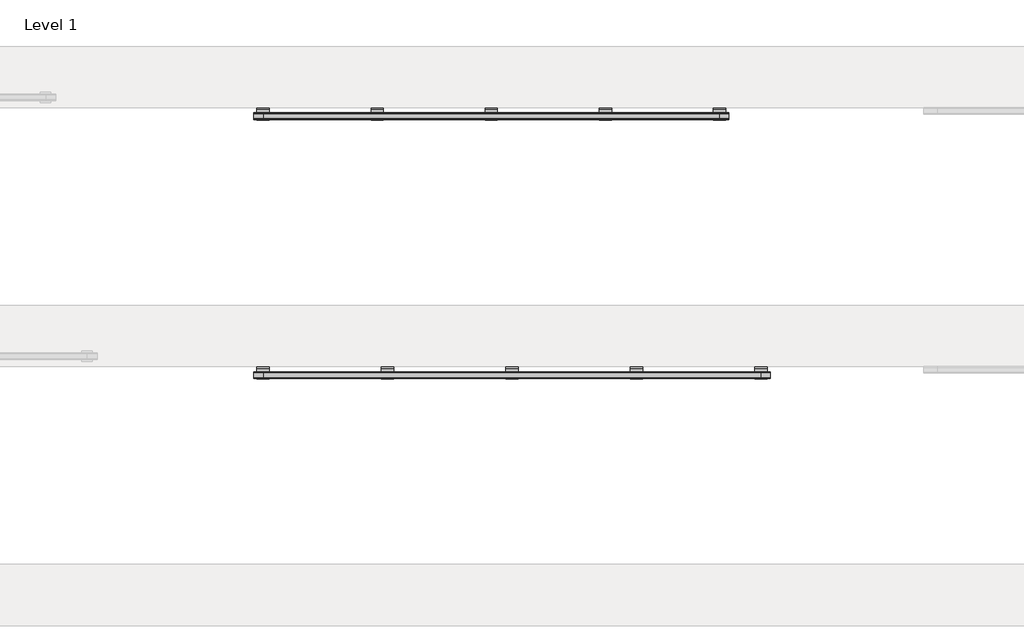
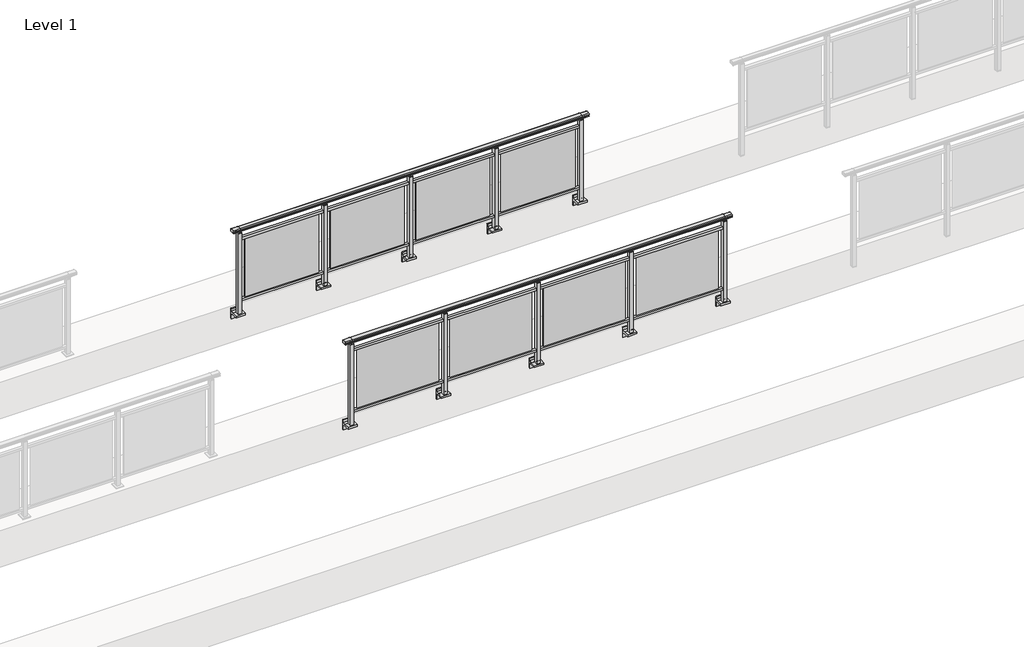
# One storey, part 40 of 64: 2 railings.
"""IFC4 building model written with IfcOpenShell, lengths in millimetres."""

from ifc_helpers import new_model, si_unit, point, frame, frame_2d, origin, place, context, project, spatial, polyline, circle_curve, trimmed, segment, composite_curve, outline, extrude, element, save
from ifc_brep_helpers import plane_surface, cylinder_surface, revolved_surface, advanced_brep

model = new_model("IFC4")

# Units and contexts
model_context = context("Model", 3, world=origin())
ifc_project = project(units=[si_unit("LENGTHUNIT", "METRE", prefix="MILLI")], contexts=[model_context])

# Site, building, storey
site = spatial("IfcSite", under=ifc_project)
building = spatial("IfcBuilding", under=site)
storey = spatial("IfcBuildingStorey", under=building, Name="Level 1", Elevation=0.0)

# Railings
placement = place(None, origin())
element("IfcRailing", 1, at=placement, inside=storey, context=model_context, shape_type="SolidModel", body=[
    advanced_brep(
    [(42910.0, 2342.8633756, 1095.6691182), (42910.0, 2347.6846828, 1081.1334092), (42910.0, 2346.7413744, 1069.2539035), (42910.0, 2348.6364177, 1061.4863007), (42910.0, 2346.9894799, 1060.384124), (42910.0, 2346.9894799, 1062.0), (42910.0, 2288.3798858, 1062.0), (42910.0, 2288.3798858, 1060.384124), (42910.0, 2286.732948, 1061.4863007), (42910.0, 2288.6279912, 1069.2539035), (42910.0, 2287.6846828, 1081.1334092), (42910.0, 2292.50599, 1095.6691182), (47890.0, 2342.8633756, 1095.6691182), (47890.0, 2292.50599, 1095.6691182), (47890.0, 2287.6846828, 1081.1334092), (47890.0, 2288.6279912, 1069.2539035), (47890.0, 2286.732948, 1061.4863007), (47890.0, 2288.3798858, 1060.384124), (47890.0, 2288.3798858, 1062.0), (47890.0, 2346.9894799, 1062.0), (47890.0, 2346.9894799, 1060.384124), (47890.0, 2348.6364177, 1061.4863007), (47890.0, 2346.7413744, 1069.2539035), (47890.0, 2347.6846828, 1081.1334092), (43000.0, 2342.8633756, 1095.6691182), (43000.0, 2347.6846828, 1081.1334092), (43000.0, 2346.7413744, 1069.2539035), (43000.0, 2348.6364177, 1061.4863007), (43000.0, 2346.9894799, 1060.384124), (43000.0, 2346.9894799, 1062.0), (43000.0, 2288.3798858, 1062.0), (43000.0, 2288.3798858, 1060.384124), (43000.0, 2286.732948, 1061.4863007), (43000.0, 2288.6279912, 1069.2539035), (43000.0, 2287.6846828, 1081.1334092), (43000.0, 2292.50599, 1095.6691182), (47800.0, 2342.8633756, 1095.6691182), (47800.0, 2347.6846828, 1081.1334092), (47800.0, 2346.7413744, 1069.2539035), (47800.0, 2348.6364177, 1061.4863007), (47800.0, 2346.9894799, 1060.384124), (47800.0, 2346.9894799, 1062.0), (47800.0, 2288.3798858, 1062.0), (47800.0, 2288.3798858, 1060.384124), (47800.0, 2286.732948, 1061.4863007), (47800.0, 2288.6279912, 1069.2539035), (47800.0, 2287.6846828, 1081.1334092), (47800.0, 2292.50599, 1095.6691182)],
    [
        (0, 1, circle_curve(frame((42910.0, 2339.6223845, 1086.526686), z_axis=(-1.0, 0.0, 0.0), x_axis=(0.0, -1.0, 0.0)), 9.6999015)),
        (1, 2, circle_curve(frame((42910.0, 2365.2252545, 1073.7633709), z_axis=(1.0, 0.0, 0.0), x_axis=(0.0, -1.0, 0.0)), 19.0260117)),
        (2, 3),
        (3, 4, circle_curve(frame((42910.0, 2347.7772073, 1060.9886194), z_axis=(-1.0, 0.0, 0.0), x_axis=(0.0, -1.0, 0.0)), 0.9929396)),
        (4, 5),
        (5, 6),
        (6, 7),
        (7, 8, circle_curve(frame((42910.0, 2287.5921584, 1060.9886194), z_axis=(-1.0, 0.0, 0.0), x_axis=(0.0, 1.0, 0.0)), 0.9929396)),
        (8, 9),
        (9, 10, circle_curve(frame((42910.0, 2270.1441111, 1073.7633709), z_axis=(1.0, 0.0, 0.0), x_axis=(0.0, 1.0, 0.0)), 19.0260117)),
        (10, 11, circle_curve(frame((42910.0, 2295.7469812, 1086.526686), z_axis=(-1.0, 0.0, 0.0), x_axis=(0.0, 1.0, 0.0)), 9.6999015)),
        (11, 0, circle_curve(frame((42910.0, 2317.6846828, 1024.6431628), z_axis=(-1.0, 0.0, 0.0), x_axis=(0.0, 1.0, 0.0)), 75.3568372)),
        (12, 13, circle_curve(frame((47890.0, 2317.6846828, 1024.6431628), z_axis=(1.0, 0.0, 0.0), x_axis=(0.0, 1.0, 0.0)), 75.3568372)),
        (13, 14, circle_curve(frame((47890.0, 2295.7469812, 1086.526686), z_axis=(1.0, 0.0, 0.0), x_axis=(0.0, 1.0, 0.0)), 9.6999015)),
        (14, 15, circle_curve(frame((47890.0, 2270.1441111, 1073.7633709), z_axis=(-1.0, 0.0, 0.0), x_axis=(0.0, 1.0, 0.0)), 19.0260117)),
        (15, 16),
        (16, 17, circle_curve(frame((47890.0, 2287.5921584, 1060.9886194), z_axis=(1.0, 0.0, 0.0), x_axis=(0.0, 1.0, 0.0)), 0.9929396)),
        (17, 18),
        (18, 19),
        (19, 20),
        (20, 21, circle_curve(frame((47890.0, 2347.7772073, 1060.9886194), z_axis=(1.0, 0.0, 0.0), x_axis=(0.0, -1.0, 0.0)), 0.9929396)),
        (21, 22),
        (22, 23, circle_curve(frame((47890.0, 2365.2252545, 1073.7633709), z_axis=(-1.0, 0.0, 0.0), x_axis=(0.0, -1.0, 0.0)), 19.0260117)),
        (23, 12, circle_curve(frame((47890.0, 2339.6223845, 1086.526686), z_axis=(1.0, 0.0, 0.0), x_axis=(0.0, -1.0, 0.0)), 9.6999015)),
        (0, 24),
        (24, 25, circle_curve(frame((43000.0, 2339.6223845, 1086.526686), z_axis=(-1.0, 0.0, 0.0), x_axis=(0.0, -1.0, 0.0)), 9.6999015)),
        (25, 1),
        (25, 26, circle_curve(frame((43000.0, 2365.2252545, 1073.7633709), z_axis=(1.0, 0.0, 0.0), x_axis=(0.0, -1.0, 0.0)), 19.0260117)),
        (26, 2),
        (26, 27),
        (27, 3),
        (27, 28, circle_curve(frame((43000.0, 2347.7772073, 1060.9886194), z_axis=(-1.0, 0.0, 0.0), x_axis=(0.0, -1.0, 0.0)), 0.9929396)),
        (28, 4),
        (28, 29),
        (29, 5),
        (29, 30),
        (30, 6),
        (30, 31),
        (31, 7),
        (31, 32, circle_curve(frame((43000.0, 2287.5921584, 1060.9886194), z_axis=(-1.0, 0.0, 0.0), x_axis=(0.0, 1.0, 0.0)), 0.9929396)),
        (32, 8),
        (32, 33),
        (33, 9),
        (33, 34, circle_curve(frame((43000.0, 2270.1441111, 1073.7633709), z_axis=(1.0, 0.0, 0.0), x_axis=(0.0, 1.0, 0.0)), 19.0260117)),
        (34, 10),
        (34, 35, circle_curve(frame((43000.0, 2295.7469812, 1086.526686), z_axis=(-1.0, 0.0, 0.0), x_axis=(0.0, 1.0, 0.0)), 9.6999015)),
        (35, 11),
        (35, 24, circle_curve(frame((43000.0, 2317.6846828, 1024.6431628), z_axis=(-1.0, 0.0, 0.0), x_axis=(0.0, 1.0, 0.0)), 75.3568372)),
        (24, 36),
        (36, 37, circle_curve(frame((47800.0, 2339.6223845, 1086.526686), z_axis=(-1.0, 0.0, 0.0), x_axis=(0.0, -1.0, 0.0)), 9.6999015)),
        (37, 25),
        (37, 38, circle_curve(frame((47800.0, 2365.2252545, 1073.7633709), z_axis=(1.0, 0.0, 0.0), x_axis=(0.0, -1.0, 0.0)), 19.0260117)),
        (38, 26),
        (38, 39),
        (39, 27),
        (39, 40, circle_curve(frame((47800.0, 2347.7772073, 1060.9886194), z_axis=(-1.0, 0.0, 0.0), x_axis=(0.0, -1.0, 0.0)), 0.9929396)),
        (40, 28),
        (40, 41),
        (41, 29),
        (41, 42),
        (42, 30),
        (42, 43),
        (43, 31),
        (43, 44, circle_curve(frame((47800.0, 2287.5921584, 1060.9886194), z_axis=(-1.0, 0.0, 0.0), x_axis=(0.0, 1.0, 0.0)), 0.9929396)),
        (44, 32),
        (44, 45),
        (45, 33),
        (45, 46, circle_curve(frame((47800.0, 2270.1441111, 1073.7633709), z_axis=(1.0, 0.0, 0.0), x_axis=(0.0, 1.0, 0.0)), 19.0260117)),
        (46, 34),
        (46, 47, circle_curve(frame((47800.0, 2295.7469812, 1086.526686), z_axis=(-1.0, 0.0, 0.0), x_axis=(0.0, 1.0, 0.0)), 9.6999015)),
        (47, 35),
        (47, 36, circle_curve(frame((47800.0, 2317.6846828, 1024.6431628), z_axis=(-1.0, 0.0, 0.0), x_axis=(0.0, 1.0, 0.0)), 75.3568372)),
        (36, 12),
        (23, 37),
        (22, 38),
        (21, 39),
        (20, 40),
        (19, 41),
        (18, 42),
        (17, 43),
        (16, 44),
        (15, 45),
        (14, 46),
        (13, 47),
    ],
    [
        plane_surface(frame((42910.0, 2317.6846828, 1100.0), z_axis=(-1.0, 0.0, 0.0), x_axis=(0.0, 1.0, 0.0))),
        plane_surface(frame((47890.0, 2317.6846828, 1100.0), z_axis=(1.0, 0.0, 0.0), x_axis=(0.0, 1.0, 0.0))),
        cylinder_surface(frame((42910.0, 2339.6223845, 1086.526686), z_axis=(-1.0, 0.0, 0.0), x_axis=(0.0, -1.0, 0.0)), 9.6999015),
        revolved_surface(polyline([(43000.0, 2346.1992428000003, 1073.7633709), (42910.0, 2346.1992428000003, 1073.7633709)]), (42910.0, 2365.2252545, 1073.7633709), (1.0, 0.0, 0.0)),
        plane_surface(frame((42910.0, 2346.7413744, 1069.2539035), z_axis=(0.0, 0.9715057689301543, 0.2370159086125439), x_axis=(1.0, 0.0, 0.0))),
        cylinder_surface(frame((42910.0, 2347.7772073, 1060.9886194), z_axis=(-1.0, 0.0, 0.0), x_axis=(0.0, -1.0, 0.0)), 0.9929396),
        plane_surface(frame((42910.0, 2346.9894799, 1060.384124), z_axis=(0.0, -1.0, 0.0), x_axis=(1.0, 0.0, 0.0))),
        plane_surface(frame((42910.0, 2346.9894799, 1062.0), z_axis=(0.0, 0.0, -1.0), x_axis=(1.0, 0.0, 0.0))),
        plane_surface(frame((42910.0, 2288.3798858, 1062.0), z_axis=(0.0, 1.0, 0.0), x_axis=(1.0, 0.0, 0.0))),
        cylinder_surface(frame((42910.0, 2287.5921584, 1060.9886194), z_axis=(-1.0, 0.0, 0.0), x_axis=(0.0, 1.0, 0.0)), 0.9929396),
        plane_surface(frame((42910.0, 2286.732948, 1061.4863007), z_axis=(0.0, -0.9715057689301543, 0.2370159086125439), x_axis=(1.0, 0.0, 0.0))),
        revolved_surface(polyline([(43000.0, 2289.1701227999997, 1073.7633709), (42910.0, 2289.1701227999997, 1073.7633709)]), (42910.0, 2270.1441111, 1073.7633709), (1.0, 0.0, 0.0)),
        cylinder_surface(frame((42910.0, 2295.7469812, 1086.526686), z_axis=(-1.0, 0.0, 0.0), x_axis=(0.0, 1.0, 0.0)), 9.6999015),
        cylinder_surface(frame((42910.0, 2317.6846828, 1024.6431628), z_axis=(-1.0, 0.0, 0.0), x_axis=(0.0, 1.0, 0.0)), 75.3568372),
        cylinder_surface(frame((43000.0, 2339.6223845, 1086.526686), z_axis=(-1.0, 0.0, 0.0), x_axis=(0.0, -1.0, 0.0)), 9.6999015),
        revolved_surface(polyline([(47800.0, 2346.1992428000003, 1073.7633709), (43000.0, 2346.1992428000003, 1073.7633709)]), (43000.0, 2365.2252545, 1073.7633709), (1.0, 0.0, 0.0)),
        plane_surface(frame((43000.0, 2346.7413744, 1069.2539035), z_axis=(0.0, 0.9715057689301543, 0.2370159086125439), x_axis=(1.0, 0.0, 0.0))),
        cylinder_surface(frame((43000.0, 2347.7772073, 1060.9886194), z_axis=(-1.0, 0.0, 0.0), x_axis=(0.0, -1.0, 0.0)), 0.9929396),
        plane_surface(frame((43000.0, 2346.9894799, 1060.384124), z_axis=(0.0, -1.0, 0.0), x_axis=(1.0, 0.0, 0.0))),
        plane_surface(frame((43000.0, 2346.9894799, 1062.0), z_axis=(0.0, 0.0, -1.0), x_axis=(1.0, 0.0, 0.0))),
        plane_surface(frame((43000.0, 2288.3798858, 1062.0), z_axis=(0.0, 1.0, 0.0), x_axis=(1.0, 0.0, 0.0))),
        cylinder_surface(frame((43000.0, 2287.5921584, 1060.9886194), z_axis=(-1.0, 0.0, 0.0), x_axis=(0.0, 1.0, 0.0)), 0.9929396),
        plane_surface(frame((43000.0, 2286.732948, 1061.4863007), z_axis=(0.0, -0.9715057689301543, 0.2370159086125439), x_axis=(1.0, 0.0, 0.0))),
        revolved_surface(polyline([(47800.0, 2289.1701227999997, 1073.7633709), (43000.0, 2289.1701227999997, 1073.7633709)]), (43000.0, 2270.1441111, 1073.7633709), (1.0, 0.0, 0.0)),
        cylinder_surface(frame((43000.0, 2295.7469812, 1086.526686), z_axis=(-1.0, 0.0, 0.0), x_axis=(0.0, 1.0, 0.0)), 9.6999015),
        cylinder_surface(frame((43000.0, 2317.6846828, 1024.6431628), z_axis=(-1.0, 0.0, 0.0), x_axis=(0.0, 1.0, 0.0)), 75.3568372),
        cylinder_surface(frame((47800.0, 2339.6223845, 1086.526686), z_axis=(-1.0, 0.0, 0.0), x_axis=(0.0, -1.0, 0.0)), 9.6999015),
        revolved_surface(polyline([(47890.0, 2346.1992428000003, 1073.7633709), (47800.0, 2346.1992428000003, 1073.7633709)]), (47800.0, 2365.2252545, 1073.7633709), (1.0, 0.0, 0.0)),
        plane_surface(frame((47800.0, 2346.7413744, 1069.2539035), z_axis=(0.0, 0.9715057689301543, 0.2370159086125439), x_axis=(1.0, 0.0, 0.0))),
        cylinder_surface(frame((47800.0, 2347.7772073, 1060.9886194), z_axis=(-1.0, 0.0, 0.0), x_axis=(0.0, -1.0, 0.0)), 0.9929396),
        plane_surface(frame((47800.0, 2346.9894799, 1060.384124), z_axis=(0.0, -1.0, 0.0), x_axis=(1.0, 0.0, 0.0))),
        plane_surface(frame((47800.0, 2346.9894799, 1062.0), z_axis=(0.0, 0.0, -1.0), x_axis=(1.0, 0.0, 0.0))),
        plane_surface(frame((47800.0, 2288.3798858, 1062.0), z_axis=(0.0, 1.0, 0.0), x_axis=(1.0, 0.0, 0.0))),
        cylinder_surface(frame((47800.0, 2287.5921584, 1060.9886194), z_axis=(-1.0, 0.0, 0.0), x_axis=(0.0, 1.0, 0.0)), 0.9929396),
        plane_surface(frame((47800.0, 2286.732948, 1061.4863007), z_axis=(0.0, -0.9715057689301543, 0.2370159086125439), x_axis=(1.0, 0.0, 0.0))),
        revolved_surface(polyline([(47890.0, 2289.1701227999997, 1073.7633709), (47800.0, 2289.1701227999997, 1073.7633709)]), (47800.0, 2270.1441111, 1073.7633709), (1.0, 0.0, 0.0)),
        cylinder_surface(frame((47800.0, 2295.7469812, 1086.526686), z_axis=(-1.0, 0.0, 0.0), x_axis=(0.0, 1.0, 0.0)), 9.6999015),
        cylinder_surface(frame((47800.0, 2317.6846828, 1024.6431628), z_axis=(-1.0, 0.0, 0.0), x_axis=(0.0, 1.0, 0.0)), 75.3568372),
    ],
    [
        (0, [[1, 2, 3, 4, 5, 6, 7, 8, 9, 10, 11, 12]]),
        (1, [[13, 14, 15, 16, 17, 18, 19, 20, 21, 22, 23, 24]]),
        (2, [[-1, 25, 26, 27]]),
        (3, [[-2, -27, 28, 29]]),
        (4, [[-3, -29, 30, 31]]),
        (5, [[-4, -31, 32, 33]]),
        (6, [[-5, -33, 34, 35]]),
        (7, [[-6, -35, 36, 37]]),
        (8, [[-7, -37, 38, 39]]),
        (9, [[-8, -39, 40, 41]]),
        (10, [[-9, -41, 42, 43]]),
        (11, [[-10, -43, 44, 45]]),
        (12, [[-11, -45, 46, 47]]),
        (13, [[-12, -47, 48, -25]]),
        (14, [[-26, 49, 50, 51]]),
        (15, [[-28, -51, 52, 53]]),
        (16, [[-30, -53, 54, 55]]),
        (17, [[-32, -55, 56, 57]]),
        (18, [[-34, -57, 58, 59]]),
        (19, [[-36, -59, 60, 61]]),
        (20, [[-38, -61, 62, 63]]),
        (21, [[-40, -63, 64, 65]]),
        (22, [[-42, -65, 66, 67]]),
        (23, [[-44, -67, 68, 69]]),
        (24, [[-46, -69, 70, 71]]),
        (25, [[-48, -71, 72, -49]]),
        (26, [[-50, 73, -24, 74]]),
        (27, [[-52, -74, -23, 75]]),
        (28, [[-54, -75, -22, 76]]),
        (29, [[-56, -76, -21, 77]]),
        (30, [[-58, -77, -20, 78]]),
        (31, [[-60, -78, -19, 79]]),
        (32, [[-62, -79, -18, 80]]),
        (33, [[-64, -80, -17, 81]]),
        (34, [[-66, -81, -16, 82]]),
        (35, [[-68, -82, -15, 83]]),
        (36, [[-70, -83, -14, 84]]),
        (37, [[-72, -84, -13, -73]]),
    ],
),
    extrude(outline(polyline([(43000.0, 2300.1846828), (43000.0, 2335.1846828), (47800.0, 2335.1846828), (47800.0, 2300.1846828), (43000.0, 2300.1846828)])), frame((0.0, 0.0, 930.0), z_axis=(0.0, 0.0, 1.0), x_axis=(1.0, 0.0, 0.0)), (0.0, 0.0, 1.0), 30.0),
    extrude(outline(polyline([(43000.0, 2300.1846828), (43000.0, 2335.1846828), (47800.0, 2335.1846828), (47800.0, 2300.1846828), (43000.0, 2300.1846828)])), frame((0.0, 0.0, 95.0), z_axis=(0.0, 0.0, 1.0), x_axis=(1.0, 0.0, 0.0)), (0.0, 0.0, 1.0), 30.0),
    extrude(outline(polyline([(46672.5, 2315.9094929), (46672.5, 2321.9094929), (47727.5, 2321.9094929), (47727.5, 2315.9094929), (46672.5, 2315.9094929)])), frame((0.0, 0.0, 125.0), z_axis=(0.0, 0.0, 1.0), x_axis=(1.0, 0.0, 0.0)), (0.0, 0.0, 1.0), 805.0),
    extrude(outline(composite_curve([segment(polyline([(2350.1846828, -70.0), (2384.1846828, -63.0), (2384.1846828, -32.5), (2400.1846828, -32.5), (2400.1846828, -167.5), (2384.1846828, -167.5), (2384.1846828, -113.5)]), True, "CONTINUOUS"), segment(trimmed(circle_curve(frame_2d((2364.1846828, -113.5)), 20.0), [point((2384.1846828, -113.5))], [point((2364.1846828, -93.5))], True, "CARTESIAN"), True, "CONTINUOUS"), segment(polyline([(2364.1846828, -93.5), (2280.1846828, -93.5), (2280.1846828, -70.0), (2350.1846828, -70.0)]), True, "CONTINUOUS")], self_intersect=False)), frame((46540.0, 0.0, 0.0), z_axis=(1.0, 0.0, 0.0), x_axis=(0.0, 1.0, 0.0)), (0.0, 0.0, 1.0), 120.0),
    extrude(outline(polyline([(46622.5, 2340.1846828), (46622.5, 2295.1846828), (46577.5, 2295.1846828), (46577.5, 2340.1846828), (46622.5, 2340.1846828)])), frame((0.0, 0.0, -70.0), z_axis=(0.0, 0.0, 1.0), x_axis=(1.0, 0.0, 0.0)), (0.0, 0.0, 1.0), 1097.0),
    extrude(outline(polyline([(46610.0, 2327.6846828), (46610.0, 2307.6846828), (46590.0, 2307.6846828), (46590.0, 2327.6846828), (46610.0, 2327.6846828)])), frame((0.0, 0.0, 1035.0), z_axis=(0.0, 0.0, 1.0), x_axis=(1.0, 0.0, 0.0)), (0.0, 0.0, 1.0), 20.0),
    extrude(outline(polyline([(46622.5, 2340.1846828), (46622.5, 2295.1846828), (46577.5, 2295.1846828), (46577.5, 2340.1846828), (46622.5, 2340.1846828)])), frame((0.0, 0.0, 1027.0), z_axis=(0.0, 0.0, 1.0), x_axis=(1.0, 0.0, 0.0)), (0.0, 0.0, 1.0), 8.0),
    extrude(outline(polyline([(45472.5, 2315.9094929), (45472.5, 2321.9094929), (46527.5, 2321.9094929), (46527.5, 2315.9094929), (45472.5, 2315.9094929)])), frame((0.0, 0.0, 125.0), z_axis=(0.0, 0.0, 1.0), x_axis=(1.0, 0.0, 0.0)), (0.0, 0.0, 1.0), 805.0),
    extrude(outline(composite_curve([segment(polyline([(2350.1846828, -70.0), (2384.1846828, -63.0), (2384.1846828, -32.5), (2400.1846828, -32.5), (2400.1846828, -167.5), (2384.1846828, -167.5), (2384.1846828, -113.5)]), True, "CONTINUOUS"), segment(trimmed(circle_curve(frame_2d((2364.1846828, -113.5)), 20.0), [point((2384.1846828, -113.5))], [point((2364.1846828, -93.5))], True, "CARTESIAN"), True, "CONTINUOUS"), segment(polyline([(2364.1846828, -93.5), (2280.1846828, -93.5), (2280.1846828, -70.0), (2350.1846828, -70.0)]), True, "CONTINUOUS")], self_intersect=False)), frame((45340.0, 0.0, 0.0), z_axis=(1.0, 0.0, 0.0), x_axis=(0.0, 1.0, 0.0)), (0.0, 0.0, 1.0), 120.0),
    extrude(outline(polyline([(45422.5, 2340.1846828), (45422.5, 2295.1846828), (45377.5, 2295.1846828), (45377.5, 2340.1846828), (45422.5, 2340.1846828)])), frame((0.0, 0.0, -70.0), z_axis=(0.0, 0.0, 1.0), x_axis=(1.0, 0.0, 0.0)), (0.0, 0.0, 1.0), 1097.0),
    extrude(outline(polyline([(45410.0, 2327.6846828), (45410.0, 2307.6846828), (45390.0, 2307.6846828), (45390.0, 2327.6846828), (45410.0, 2327.6846828)])), frame((0.0, 0.0, 1035.0), z_axis=(0.0, 0.0, 1.0), x_axis=(1.0, 0.0, 0.0)), (0.0, 0.0, 1.0), 20.0),
    extrude(outline(polyline([(45422.5, 2340.1846828), (45422.5, 2295.1846828), (45377.5, 2295.1846828), (45377.5, 2340.1846828), (45422.5, 2340.1846828)])), frame((0.0, 0.0, 1027.0), z_axis=(0.0, 0.0, 1.0), x_axis=(1.0, 0.0, 0.0)), (0.0, 0.0, 1.0), 8.0),
    extrude(outline(polyline([(44272.5, 2315.9094929), (44272.5, 2321.9094929), (45327.5, 2321.9094929), (45327.5, 2315.9094929), (44272.5, 2315.9094929)])), frame((0.0, 0.0, 125.0), z_axis=(0.0, 0.0, 1.0), x_axis=(1.0, 0.0, 0.0)), (0.0, 0.0, 1.0), 805.0),
    extrude(outline(composite_curve([segment(polyline([(2350.1846828, -70.0), (2384.1846828, -63.0), (2384.1846828, -32.5), (2400.1846828, -32.5), (2400.1846828, -167.5), (2384.1846828, -167.5), (2384.1846828, -113.5)]), True, "CONTINUOUS"), segment(trimmed(circle_curve(frame_2d((2364.1846828, -113.5)), 20.0), [point((2384.1846828, -113.5))], [point((2364.1846828, -93.5))], True, "CARTESIAN"), True, "CONTINUOUS"), segment(polyline([(2364.1846828, -93.5), (2280.1846828, -93.5), (2280.1846828, -70.0), (2350.1846828, -70.0)]), True, "CONTINUOUS")], self_intersect=False)), frame((44140.0, 0.0, 0.0), z_axis=(1.0, 0.0, 0.0), x_axis=(0.0, 1.0, 0.0)), (0.0, 0.0, 1.0), 120.0),
    extrude(outline(polyline([(44222.5, 2340.1846828), (44222.5, 2295.1846828), (44177.5, 2295.1846828), (44177.5, 2340.1846828), (44222.5, 2340.1846828)])), frame((0.0, 0.0, -70.0), z_axis=(0.0, 0.0, 1.0), x_axis=(1.0, 0.0, 0.0)), (0.0, 0.0, 1.0), 1097.0),
    extrude(outline(polyline([(44210.0, 2327.6846828), (44210.0, 2307.6846828), (44190.0, 2307.6846828), (44190.0, 2327.6846828), (44210.0, 2327.6846828)])), frame((0.0, 0.0, 1035.0), z_axis=(0.0, 0.0, 1.0), x_axis=(1.0, 0.0, 0.0)), (0.0, 0.0, 1.0), 20.0),
    extrude(outline(polyline([(44222.5, 2340.1846828), (44222.5, 2295.1846828), (44177.5, 2295.1846828), (44177.5, 2340.1846828), (44222.5, 2340.1846828)])), frame((0.0, 0.0, 1027.0), z_axis=(0.0, 0.0, 1.0), x_axis=(1.0, 0.0, 0.0)), (0.0, 0.0, 1.0), 8.0),
    extrude(outline(polyline([(43072.5, 2315.9094929), (43072.5, 2321.9094929), (44127.5, 2321.9094929), (44127.5, 2315.9094929), (43072.5, 2315.9094929)])), frame((0.0, 0.0, 125.0), z_axis=(0.0, 0.0, 1.0), x_axis=(1.0, 0.0, 0.0)), (0.0, 0.0, 1.0), 805.0),
    extrude(outline(composite_curve([segment(polyline([(2350.1846828, -70.0), (2384.1846828, -63.0), (2384.1846828, -32.5), (2400.1846828, -32.5), (2400.1846828, -167.5), (2384.1846828, -167.5), (2384.1846828, -113.5)]), True, "CONTINUOUS"), segment(trimmed(circle_curve(frame_2d((2364.1846828, -113.5)), 20.0), [point((2384.1846828, -113.5))], [point((2364.1846828, -93.5))], True, "CARTESIAN"), True, "CONTINUOUS"), segment(polyline([(2364.1846828, -93.5), (2280.1846828, -93.5), (2280.1846828, -70.0), (2350.1846828, -70.0)]), True, "CONTINUOUS")], self_intersect=False)), frame((47740.0, 0.0, 0.0), z_axis=(1.0, 0.0, 0.0), x_axis=(0.0, 1.0, 0.0)), (0.0, 0.0, 1.0), 120.0),
    extrude(outline(polyline([(47822.5, 2340.1846828), (47822.5, 2295.1846828), (47777.5, 2295.1846828), (47777.5, 2340.1846828), (47822.5, 2340.1846828)])), frame((0.0, 0.0, -70.0), z_axis=(0.0, 0.0, 1.0), x_axis=(1.0, 0.0, 0.0)), (0.0, 0.0, 1.0), 1097.0),
    extrude(outline(polyline([(47810.0, 2327.6846828), (47810.0, 2307.6846828), (47790.0, 2307.6846828), (47790.0, 2327.6846828), (47810.0, 2327.6846828)])), frame((0.0, 0.0, 1035.0), z_axis=(0.0, 0.0, 1.0), x_axis=(1.0, 0.0, 0.0)), (0.0, 0.0, 1.0), 20.0),
    extrude(outline(polyline([(47822.5, 2340.1846828), (47822.5, 2295.1846828), (47777.5, 2295.1846828), (47777.5, 2340.1846828), (47822.5, 2340.1846828)])), frame((0.0, 0.0, 1027.0), z_axis=(0.0, 0.0, 1.0), x_axis=(1.0, 0.0, 0.0)), (0.0, 0.0, 1.0), 8.0),
    extrude(outline(composite_curve([segment(polyline([(2350.1846828, -70.0), (2384.1846828, -63.0), (2384.1846828, -32.5), (2400.1846828, -32.5), (2400.1846828, -167.5), (2384.1846828, -167.5), (2384.1846828, -113.5)]), True, "CONTINUOUS"), segment(trimmed(circle_curve(frame_2d((2364.1846828, -113.5)), 20.0), [point((2384.1846828, -113.5))], [point((2364.1846828, -93.5))], True, "CARTESIAN"), True, "CONTINUOUS"), segment(polyline([(2364.1846828, -93.5), (2280.1846828, -93.5), (2280.1846828, -70.0), (2350.1846828, -70.0)]), True, "CONTINUOUS")], self_intersect=False)), frame((42940.0, 0.0, 0.0), z_axis=(1.0, 0.0, 0.0), x_axis=(0.0, 1.0, 0.0)), (0.0, 0.0, 1.0), 120.0),
    extrude(outline(polyline([(43022.5, 2340.1846828), (43022.5, 2295.1846828), (42977.5, 2295.1846828), (42977.5, 2340.1846828), (43022.5, 2340.1846828)])), frame((0.0, 0.0, -70.0), z_axis=(0.0, 0.0, 1.0), x_axis=(1.0, 0.0, 0.0)), (0.0, 0.0, 1.0), 1097.0),
    extrude(outline(polyline([(43010.0, 2327.6846828), (43010.0, 2307.6846828), (42990.0, 2307.6846828), (42990.0, 2327.6846828), (43010.0, 2327.6846828)])), frame((0.0, 0.0, 1035.0), z_axis=(0.0, 0.0, 1.0), x_axis=(1.0, 0.0, 0.0)), (0.0, 0.0, 1.0), 20.0),
    extrude(outline(polyline([(43022.5, 2340.1846828), (43022.5, 2295.1846828), (42977.5, 2295.1846828), (42977.5, 2340.1846828), (43022.5, 2340.1846828)])), frame((0.0, 0.0, 1027.0), z_axis=(0.0, 0.0, 1.0), x_axis=(1.0, 0.0, 0.0)), (0.0, 0.0, 1.0), 8.0),
])
element("IfcRailing", 2, at=placement, inside=storey, context=model_context, shape_type="SolidModel", body=[
    advanced_brep(
    [(42910.0, 4842.8633756, 1095.6691182), (42910.0, 4847.6846828, 1081.1334092), (42910.0, 4846.7413744, 1069.2539035), (42910.0, 4848.6364177, 1061.4863007), (42910.0, 4846.9894799, 1060.384124), (42910.0, 4846.9894799, 1062.0), (42910.0, 4788.3798858, 1062.0), (42910.0, 4788.3798858, 1060.384124), (42910.0, 4786.732948, 1061.4863007), (42910.0, 4788.6279912, 1069.2539035), (42910.0, 4787.6846828, 1081.1334092), (42910.0, 4792.50599, 1095.6691182), (47490.0, 4842.8633756, 1095.6691182), (47490.0, 4792.50599, 1095.6691182), (47490.0, 4787.6846828, 1081.1334092), (47490.0, 4788.6279912, 1069.2539035), (47490.0, 4786.732948, 1061.4863007), (47490.0, 4788.3798858, 1060.384124), (47490.0, 4788.3798858, 1062.0), (47490.0, 4846.9894799, 1062.0), (47490.0, 4846.9894799, 1060.384124), (47490.0, 4848.6364177, 1061.4863007), (47490.0, 4846.7413744, 1069.2539035), (47490.0, 4847.6846828, 1081.1334092), (43000.0, 4842.8633756, 1095.6691182), (43000.0, 4847.6846828, 1081.1334092), (43000.0, 4846.7413744, 1069.2539035), (43000.0, 4848.6364177, 1061.4863007), (43000.0, 4846.9894799, 1060.384124), (43000.0, 4846.9894799, 1062.0), (43000.0, 4788.3798858, 1062.0), (43000.0, 4788.3798858, 1060.384124), (43000.0, 4786.732948, 1061.4863007), (43000.0, 4788.6279912, 1069.2539035), (43000.0, 4787.6846828, 1081.1334092), (43000.0, 4792.50599, 1095.6691182), (47400.0, 4842.8633756, 1095.6691182), (47400.0, 4847.6846828, 1081.1334092), (47400.0, 4846.7413744, 1069.2539035), (47400.0, 4848.6364177, 1061.4863007), (47400.0, 4846.9894799, 1060.384124), (47400.0, 4846.9894799, 1062.0), (47400.0, 4788.3798858, 1062.0), (47400.0, 4788.3798858, 1060.384124), (47400.0, 4786.732948, 1061.4863007), (47400.0, 4788.6279912, 1069.2539035), (47400.0, 4787.6846828, 1081.1334092), (47400.0, 4792.50599, 1095.6691182)],
    [
        (0, 1, circle_curve(frame((42910.0, 4839.6223845, 1086.526686), z_axis=(-1.0, 0.0, 0.0), x_axis=(0.0, -1.0, 0.0)), 9.6999015)),
        (1, 2, circle_curve(frame((42910.0, 4865.2252545, 1073.7633709), z_axis=(1.0, 0.0, 0.0), x_axis=(0.0, -1.0, 0.0)), 19.0260117)),
        (2, 3),
        (3, 4, circle_curve(frame((42910.0, 4847.7772073, 1060.9886194), z_axis=(-1.0, 0.0, 0.0), x_axis=(0.0, -1.0, 0.0)), 0.9929396)),
        (4, 5),
        (5, 6),
        (6, 7),
        (7, 8, circle_curve(frame((42910.0, 4787.5921584, 1060.9886194), z_axis=(-1.0, 0.0, 0.0), x_axis=(0.0, 1.0, 0.0)), 0.9929396)),
        (8, 9),
        (9, 10, circle_curve(frame((42910.0, 4770.1441111, 1073.7633709), z_axis=(1.0, 0.0, 0.0), x_axis=(0.0, 1.0, 0.0)), 19.0260117)),
        (10, 11, circle_curve(frame((42910.0, 4795.7469812, 1086.526686), z_axis=(-1.0, 0.0, 0.0), x_axis=(0.0, 1.0, 0.0)), 9.6999015)),
        (11, 0, circle_curve(frame((42910.0, 4817.6846828, 1024.6431628), z_axis=(-1.0, 0.0, 0.0), x_axis=(0.0, 1.0, 0.0)), 75.3568372)),
        (12, 13, circle_curve(frame((47490.0, 4817.6846828, 1024.6431628), z_axis=(1.0, 0.0, 0.0), x_axis=(0.0, 1.0, 0.0)), 75.3568372)),
        (13, 14, circle_curve(frame((47490.0, 4795.7469812, 1086.526686), z_axis=(1.0, 0.0, 0.0), x_axis=(0.0, 1.0, 0.0)), 9.6999015)),
        (14, 15, circle_curve(frame((47490.0, 4770.1441111, 1073.7633709), z_axis=(-1.0, 0.0, 0.0), x_axis=(0.0, 1.0, 0.0)), 19.0260117)),
        (15, 16),
        (16, 17, circle_curve(frame((47490.0, 4787.5921584, 1060.9886194), z_axis=(1.0, 0.0, 0.0), x_axis=(0.0, 1.0, 0.0)), 0.9929396)),
        (17, 18),
        (18, 19),
        (19, 20),
        (20, 21, circle_curve(frame((47490.0, 4847.7772073, 1060.9886194), z_axis=(1.0, 0.0, 0.0), x_axis=(0.0, -1.0, 0.0)), 0.9929396)),
        (21, 22),
        (22, 23, circle_curve(frame((47490.0, 4865.2252545, 1073.7633709), z_axis=(-1.0, 0.0, 0.0), x_axis=(0.0, -1.0, 0.0)), 19.0260117)),
        (23, 12, circle_curve(frame((47490.0, 4839.6223845, 1086.526686), z_axis=(1.0, 0.0, 0.0), x_axis=(0.0, -1.0, 0.0)), 9.6999015)),
        (0, 24),
        (24, 25, circle_curve(frame((43000.0, 4839.6223845, 1086.526686), z_axis=(-1.0, 0.0, 0.0), x_axis=(0.0, -1.0, 0.0)), 9.6999015)),
        (25, 1),
        (25, 26, circle_curve(frame((43000.0, 4865.2252545, 1073.7633709), z_axis=(1.0, 0.0, 0.0), x_axis=(0.0, -1.0, 0.0)), 19.0260117)),
        (26, 2),
        (26, 27),
        (27, 3),
        (27, 28, circle_curve(frame((43000.0, 4847.7772073, 1060.9886194), z_axis=(-1.0, 0.0, 0.0), x_axis=(0.0, -1.0, 0.0)), 0.9929396)),
        (28, 4),
        (28, 29),
        (29, 5),
        (29, 30),
        (30, 6),
        (30, 31),
        (31, 7),
        (31, 32, circle_curve(frame((43000.0, 4787.5921584, 1060.9886194), z_axis=(-1.0, 0.0, 0.0), x_axis=(0.0, 1.0, 0.0)), 0.9929396)),
        (32, 8),
        (32, 33),
        (33, 9),
        (33, 34, circle_curve(frame((43000.0, 4770.1441111, 1073.7633709), z_axis=(1.0, 0.0, 0.0), x_axis=(0.0, 1.0, 0.0)), 19.0260117)),
        (34, 10),
        (34, 35, circle_curve(frame((43000.0, 4795.7469812, 1086.526686), z_axis=(-1.0, 0.0, 0.0), x_axis=(0.0, 1.0, 0.0)), 9.6999015)),
        (35, 11),
        (35, 24, circle_curve(frame((43000.0, 4817.6846828, 1024.6431628), z_axis=(-1.0, 0.0, 0.0), x_axis=(0.0, 1.0, 0.0)), 75.3568372)),
        (24, 36),
        (36, 37, circle_curve(frame((47400.0, 4839.6223845, 1086.526686), z_axis=(-1.0, 0.0, 0.0), x_axis=(0.0, -1.0, 0.0)), 9.6999015)),
        (37, 25),
        (37, 38, circle_curve(frame((47400.0, 4865.2252545, 1073.7633709), z_axis=(1.0, 0.0, 0.0), x_axis=(0.0, -1.0, 0.0)), 19.0260117)),
        (38, 26),
        (38, 39),
        (39, 27),
        (39, 40, circle_curve(frame((47400.0, 4847.7772073, 1060.9886194), z_axis=(-1.0, 0.0, 0.0), x_axis=(0.0, -1.0, 0.0)), 0.9929396)),
        (40, 28),
        (40, 41),
        (41, 29),
        (41, 42),
        (42, 30),
        (42, 43),
        (43, 31),
        (43, 44, circle_curve(frame((47400.0, 4787.5921584, 1060.9886194), z_axis=(-1.0, 0.0, 0.0), x_axis=(0.0, 1.0, 0.0)), 0.9929396)),
        (44, 32),
        (44, 45),
        (45, 33),
        (45, 46, circle_curve(frame((47400.0, 4770.1441111, 1073.7633709), z_axis=(1.0, 0.0, 0.0), x_axis=(0.0, 1.0, 0.0)), 19.0260117)),
        (46, 34),
        (46, 47, circle_curve(frame((47400.0, 4795.7469812, 1086.526686), z_axis=(-1.0, 0.0, 0.0), x_axis=(0.0, 1.0, 0.0)), 9.6999015)),
        (47, 35),
        (47, 36, circle_curve(frame((47400.0, 4817.6846828, 1024.6431628), z_axis=(-1.0, 0.0, 0.0), x_axis=(0.0, 1.0, 0.0)), 75.3568372)),
        (36, 12),
        (23, 37),
        (22, 38),
        (21, 39),
        (20, 40),
        (19, 41),
        (18, 42),
        (17, 43),
        (16, 44),
        (15, 45),
        (14, 46),
        (13, 47),
    ],
    [
        plane_surface(frame((42910.0, 4817.6846828, 1100.0), z_axis=(-1.0, 0.0, 0.0), x_axis=(0.0, 1.0, 0.0))),
        plane_surface(frame((47490.0, 4817.6846828, 1100.0), z_axis=(1.0, 0.0, 0.0), x_axis=(0.0, 1.0, 0.0))),
        cylinder_surface(frame((42910.0, 4839.6223845, 1086.526686), z_axis=(-1.0, 0.0, 0.0), x_axis=(0.0, -1.0, 0.0)), 9.6999015),
        revolved_surface(polyline([(43000.0, 4846.1992428, 1073.7633709), (42910.0, 4846.1992428, 1073.7633709)]), (42910.0, 4865.2252545, 1073.7633709), (1.0, 0.0, 0.0)),
        plane_surface(frame((42910.0, 4846.7413744, 1069.2539035), z_axis=(0.0, 0.9715057689301543, 0.2370159086125439), x_axis=(1.0, 0.0, 0.0))),
        cylinder_surface(frame((42910.0, 4847.7772073, 1060.9886194), z_axis=(-1.0, 0.0, 0.0), x_axis=(0.0, -1.0, 0.0)), 0.9929396),
        plane_surface(frame((42910.0, 4846.9894799, 1060.384124), z_axis=(0.0, -1.0, 0.0), x_axis=(1.0, 0.0, 0.0))),
        plane_surface(frame((42910.0, 4846.9894799, 1062.0), z_axis=(0.0, 0.0, -1.0), x_axis=(1.0, 0.0, 0.0))),
        plane_surface(frame((42910.0, 4788.3798858, 1062.0), z_axis=(0.0, 1.0, 0.0), x_axis=(1.0, 0.0, 0.0))),
        cylinder_surface(frame((42910.0, 4787.5921584, 1060.9886194), z_axis=(-1.0, 0.0, 0.0), x_axis=(0.0, 1.0, 0.0)), 0.9929396),
        plane_surface(frame((42910.0, 4786.732948, 1061.4863007), z_axis=(0.0, -0.9715057689301543, 0.2370159086125439), x_axis=(1.0, 0.0, 0.0))),
        revolved_surface(polyline([(43000.0, 4789.1701228, 1073.7633709), (42910.0, 4789.1701228, 1073.7633709)]), (42910.0, 4770.1441111, 1073.7633709), (1.0, 0.0, 0.0)),
        cylinder_surface(frame((42910.0, 4795.7469812, 1086.526686), z_axis=(-1.0, 0.0, 0.0), x_axis=(0.0, 1.0, 0.0)), 9.6999015),
        cylinder_surface(frame((42910.0, 4817.6846828, 1024.6431628), z_axis=(-1.0, 0.0, 0.0), x_axis=(0.0, 1.0, 0.0)), 75.3568372),
        cylinder_surface(frame((43000.0, 4839.6223845, 1086.526686), z_axis=(-1.0, 0.0, 0.0), x_axis=(0.0, -1.0, 0.0)), 9.6999015),
        revolved_surface(polyline([(47400.0, 4846.1992428, 1073.7633709), (43000.0, 4846.1992428, 1073.7633709)]), (43000.0, 4865.2252545, 1073.7633709), (1.0, 0.0, 0.0)),
        plane_surface(frame((43000.0, 4846.7413744, 1069.2539035), z_axis=(0.0, 0.9715057689301543, 0.2370159086125439), x_axis=(1.0, 0.0, 0.0))),
        cylinder_surface(frame((43000.0, 4847.7772073, 1060.9886194), z_axis=(-1.0, 0.0, 0.0), x_axis=(0.0, -1.0, 0.0)), 0.9929396),
        plane_surface(frame((43000.0, 4846.9894799, 1060.384124), z_axis=(0.0, -1.0, 0.0), x_axis=(1.0, 0.0, 0.0))),
        plane_surface(frame((43000.0, 4846.9894799, 1062.0), z_axis=(0.0, 0.0, -1.0), x_axis=(1.0, 0.0, 0.0))),
        plane_surface(frame((43000.0, 4788.3798858, 1062.0), z_axis=(0.0, 1.0, 0.0), x_axis=(1.0, 0.0, 0.0))),
        cylinder_surface(frame((43000.0, 4787.5921584, 1060.9886194), z_axis=(-1.0, 0.0, 0.0), x_axis=(0.0, 1.0, 0.0)), 0.9929396),
        plane_surface(frame((43000.0, 4786.732948, 1061.4863007), z_axis=(0.0, -0.9715057689301543, 0.2370159086125439), x_axis=(1.0, 0.0, 0.0))),
        revolved_surface(polyline([(47400.0, 4789.1701228, 1073.7633709), (43000.0, 4789.1701228, 1073.7633709)]), (43000.0, 4770.1441111, 1073.7633709), (1.0, 0.0, 0.0)),
        cylinder_surface(frame((43000.0, 4795.7469812, 1086.526686), z_axis=(-1.0, 0.0, 0.0), x_axis=(0.0, 1.0, 0.0)), 9.6999015),
        cylinder_surface(frame((43000.0, 4817.6846828, 1024.6431628), z_axis=(-1.0, 0.0, 0.0), x_axis=(0.0, 1.0, 0.0)), 75.3568372),
        cylinder_surface(frame((47400.0, 4839.6223845, 1086.526686), z_axis=(-1.0, 0.0, 0.0), x_axis=(0.0, -1.0, 0.0)), 9.6999015),
        revolved_surface(polyline([(47490.0, 4846.1992428, 1073.7633709), (47400.0, 4846.1992428, 1073.7633709)]), (47400.0, 4865.2252545, 1073.7633709), (1.0, 0.0, 0.0)),
        plane_surface(frame((47400.0, 4846.7413744, 1069.2539035), z_axis=(0.0, 0.9715057689301543, 0.2370159086125439), x_axis=(1.0, 0.0, 0.0))),
        cylinder_surface(frame((47400.0, 4847.7772073, 1060.9886194), z_axis=(-1.0, 0.0, 0.0), x_axis=(0.0, -1.0, 0.0)), 0.9929396),
        plane_surface(frame((47400.0, 4846.9894799, 1060.384124), z_axis=(0.0, -1.0, 0.0), x_axis=(1.0, 0.0, 0.0))),
        plane_surface(frame((47400.0, 4846.9894799, 1062.0), z_axis=(0.0, 0.0, -1.0), x_axis=(1.0, 0.0, 0.0))),
        plane_surface(frame((47400.0, 4788.3798858, 1062.0), z_axis=(0.0, 1.0, 0.0), x_axis=(1.0, 0.0, 0.0))),
        cylinder_surface(frame((47400.0, 4787.5921584, 1060.9886194), z_axis=(-1.0, 0.0, 0.0), x_axis=(0.0, 1.0, 0.0)), 0.9929396),
        plane_surface(frame((47400.0, 4786.732948, 1061.4863007), z_axis=(0.0, -0.9715057689301543, 0.2370159086125439), x_axis=(1.0, 0.0, 0.0))),
        revolved_surface(polyline([(47490.0, 4789.1701228, 1073.7633709), (47400.0, 4789.1701228, 1073.7633709)]), (47400.0, 4770.1441111, 1073.7633709), (1.0, 0.0, 0.0)),
        cylinder_surface(frame((47400.0, 4795.7469812, 1086.526686), z_axis=(-1.0, 0.0, 0.0), x_axis=(0.0, 1.0, 0.0)), 9.6999015),
        cylinder_surface(frame((47400.0, 4817.6846828, 1024.6431628), z_axis=(-1.0, 0.0, 0.0), x_axis=(0.0, 1.0, 0.0)), 75.3568372),
    ],
    [
        (0, [[1, 2, 3, 4, 5, 6, 7, 8, 9, 10, 11, 12]]),
        (1, [[13, 14, 15, 16, 17, 18, 19, 20, 21, 22, 23, 24]]),
        (2, [[-1, 25, 26, 27]]),
        (3, [[-2, -27, 28, 29]]),
        (4, [[-3, -29, 30, 31]]),
        (5, [[-4, -31, 32, 33]]),
        (6, [[-5, -33, 34, 35]]),
        (7, [[-6, -35, 36, 37]]),
        (8, [[-7, -37, 38, 39]]),
        (9, [[-8, -39, 40, 41]]),
        (10, [[-9, -41, 42, 43]]),
        (11, [[-10, -43, 44, 45]]),
        (12, [[-11, -45, 46, 47]]),
        (13, [[-12, -47, 48, -25]]),
        (14, [[-26, 49, 50, 51]]),
        (15, [[-28, -51, 52, 53]]),
        (16, [[-30, -53, 54, 55]]),
        (17, [[-32, -55, 56, 57]]),
        (18, [[-34, -57, 58, 59]]),
        (19, [[-36, -59, 60, 61]]),
        (20, [[-38, -61, 62, 63]]),
        (21, [[-40, -63, 64, 65]]),
        (22, [[-42, -65, 66, 67]]),
        (23, [[-44, -67, 68, 69]]),
        (24, [[-46, -69, 70, 71]]),
        (25, [[-48, -71, 72, -49]]),
        (26, [[-50, 73, -24, 74]]),
        (27, [[-52, -74, -23, 75]]),
        (28, [[-54, -75, -22, 76]]),
        (29, [[-56, -76, -21, 77]]),
        (30, [[-58, -77, -20, 78]]),
        (31, [[-60, -78, -19, 79]]),
        (32, [[-62, -79, -18, 80]]),
        (33, [[-64, -80, -17, 81]]),
        (34, [[-66, -81, -16, 82]]),
        (35, [[-68, -82, -15, 83]]),
        (36, [[-70, -83, -14, 84]]),
        (37, [[-72, -84, -13, -73]]),
    ],
),
    extrude(outline(polyline([(43000.0, 4800.1846828), (43000.0, 4835.1846828), (47400.0, 4835.1846828), (47400.0, 4800.1846828), (43000.0, 4800.1846828)])), frame((0.0, 0.0, 930.0), z_axis=(0.0, 0.0, 1.0), x_axis=(1.0, 0.0, 0.0)), (0.0, 0.0, 1.0), 30.0),
    extrude(outline(polyline([(43000.0, 4800.1846828), (43000.0, 4835.1846828), (47400.0, 4835.1846828), (47400.0, 4800.1846828), (43000.0, 4800.1846828)])), frame((0.0, 0.0, 95.0), z_axis=(0.0, 0.0, 1.0), x_axis=(1.0, 0.0, 0.0)), (0.0, 0.0, 1.0), 30.0),
    extrude(outline(polyline([(46372.5, 4815.9094929), (46372.5, 4821.9094929), (47327.5, 4821.9094929), (47327.5, 4815.9094929), (46372.5, 4815.9094929)])), frame((0.0, 0.0, 125.0), z_axis=(0.0, 0.0, 1.0), x_axis=(1.0, 0.0, 0.0)), (0.0, 0.0, 1.0), 805.0),
    extrude(outline(composite_curve([segment(polyline([(4850.1846828, -70.0), (4884.1846828, -63.0), (4884.1846828, -32.5), (4900.1846828, -32.5), (4900.1846828, -167.5), (4884.1846828, -167.5), (4884.1846828, -113.5)]), True, "CONTINUOUS"), segment(trimmed(circle_curve(frame_2d((4864.1846828, -113.5)), 20.0), [point((4884.1846828, -113.5))], [point((4864.1846828, -93.5))], True, "CARTESIAN"), True, "CONTINUOUS"), segment(polyline([(4864.1846828, -93.5), (4780.1846828, -93.5), (4780.1846828, -70.0), (4850.1846828, -70.0)]), True, "CONTINUOUS")], self_intersect=False)), frame((46240.0, 0.0, 0.0), z_axis=(1.0, 0.0, 0.0), x_axis=(0.0, 1.0, 0.0)), (0.0, 0.0, 1.0), 120.0),
    extrude(outline(polyline([(46322.5, 4840.1846828), (46322.5, 4795.1846828), (46277.5, 4795.1846828), (46277.5, 4840.1846828), (46322.5, 4840.1846828)])), frame((0.0, 0.0, -70.0), z_axis=(0.0, 0.0, 1.0), x_axis=(1.0, 0.0, 0.0)), (0.0, 0.0, 1.0), 1097.0),
    extrude(outline(polyline([(46310.0, 4827.6846828), (46310.0, 4807.6846828), (46290.0, 4807.6846828), (46290.0, 4827.6846828), (46310.0, 4827.6846828)])), frame((0.0, 0.0, 1035.0), z_axis=(0.0, 0.0, 1.0), x_axis=(1.0, 0.0, 0.0)), (0.0, 0.0, 1.0), 20.0),
    extrude(outline(polyline([(46322.5, 4840.1846828), (46322.5, 4795.1846828), (46277.5, 4795.1846828), (46277.5, 4840.1846828), (46322.5, 4840.1846828)])), frame((0.0, 0.0, 1027.0), z_axis=(0.0, 0.0, 1.0), x_axis=(1.0, 0.0, 0.0)), (0.0, 0.0, 1.0), 8.0),
    extrude(outline(polyline([(45272.5, 4815.9094929), (45272.5, 4821.9094929), (46227.5, 4821.9094929), (46227.5, 4815.9094929), (45272.5, 4815.9094929)])), frame((0.0, 0.0, 125.0), z_axis=(0.0, 0.0, 1.0), x_axis=(1.0, 0.0, 0.0)), (0.0, 0.0, 1.0), 805.0),
    extrude(outline(composite_curve([segment(polyline([(4850.1846828, -70.0), (4884.1846828, -63.0), (4884.1846828, -32.5), (4900.1846828, -32.5), (4900.1846828, -167.5), (4884.1846828, -167.5), (4884.1846828, -113.5)]), True, "CONTINUOUS"), segment(trimmed(circle_curve(frame_2d((4864.1846828, -113.5)), 20.0), [point((4884.1846828, -113.5))], [point((4864.1846828, -93.5))], True, "CARTESIAN"), True, "CONTINUOUS"), segment(polyline([(4864.1846828, -93.5), (4780.1846828, -93.5), (4780.1846828, -70.0), (4850.1846828, -70.0)]), True, "CONTINUOUS")], self_intersect=False)), frame((45140.0, 0.0, 0.0), z_axis=(1.0, 0.0, 0.0), x_axis=(0.0, 1.0, 0.0)), (0.0, 0.0, 1.0), 120.0),
    extrude(outline(polyline([(45222.5, 4840.1846828), (45222.5, 4795.1846828), (45177.5, 4795.1846828), (45177.5, 4840.1846828), (45222.5, 4840.1846828)])), frame((0.0, 0.0, -70.0), z_axis=(0.0, 0.0, 1.0), x_axis=(1.0, 0.0, 0.0)), (0.0, 0.0, 1.0), 1097.0),
    extrude(outline(polyline([(45210.0, 4827.6846828), (45210.0, 4807.6846828), (45190.0, 4807.6846828), (45190.0, 4827.6846828), (45210.0, 4827.6846828)])), frame((0.0, 0.0, 1035.0), z_axis=(0.0, 0.0, 1.0), x_axis=(1.0, 0.0, 0.0)), (0.0, 0.0, 1.0), 20.0),
    extrude(outline(polyline([(45222.5, 4840.1846828), (45222.5, 4795.1846828), (45177.5, 4795.1846828), (45177.5, 4840.1846828), (45222.5, 4840.1846828)])), frame((0.0, 0.0, 1027.0), z_axis=(0.0, 0.0, 1.0), x_axis=(1.0, 0.0, 0.0)), (0.0, 0.0, 1.0), 8.0),
    extrude(outline(polyline([(44172.5, 4815.9094929), (44172.5, 4821.9094929), (45127.5, 4821.9094929), (45127.5, 4815.9094929), (44172.5, 4815.9094929)])), frame((0.0, 0.0, 125.0), z_axis=(0.0, 0.0, 1.0), x_axis=(1.0, 0.0, 0.0)), (0.0, 0.0, 1.0), 805.0),
    extrude(outline(composite_curve([segment(polyline([(4850.1846828, -70.0), (4884.1846828, -63.0), (4884.1846828, -32.5), (4900.1846828, -32.5), (4900.1846828, -167.5), (4884.1846828, -167.5), (4884.1846828, -113.5)]), True, "CONTINUOUS"), segment(trimmed(circle_curve(frame_2d((4864.1846828, -113.5)), 20.0), [point((4884.1846828, -113.5))], [point((4864.1846828, -93.5))], True, "CARTESIAN"), True, "CONTINUOUS"), segment(polyline([(4864.1846828, -93.5), (4780.1846828, -93.5), (4780.1846828, -70.0), (4850.1846828, -70.0)]), True, "CONTINUOUS")], self_intersect=False)), frame((44040.0, 0.0, 0.0), z_axis=(1.0, 0.0, 0.0), x_axis=(0.0, 1.0, 0.0)), (0.0, 0.0, 1.0), 120.0),
    extrude(outline(polyline([(44122.5, 4840.1846828), (44122.5, 4795.1846828), (44077.5, 4795.1846828), (44077.5, 4840.1846828), (44122.5, 4840.1846828)])), frame((0.0, 0.0, -70.0), z_axis=(0.0, 0.0, 1.0), x_axis=(1.0, 0.0, 0.0)), (0.0, 0.0, 1.0), 1097.0),
    extrude(outline(polyline([(44110.0, 4827.6846828), (44110.0, 4807.6846828), (44090.0, 4807.6846828), (44090.0, 4827.6846828), (44110.0, 4827.6846828)])), frame((0.0, 0.0, 1035.0), z_axis=(0.0, 0.0, 1.0), x_axis=(1.0, 0.0, 0.0)), (0.0, 0.0, 1.0), 20.0),
    extrude(outline(polyline([(44122.5, 4840.1846828), (44122.5, 4795.1846828), (44077.5, 4795.1846828), (44077.5, 4840.1846828), (44122.5, 4840.1846828)])), frame((0.0, 0.0, 1027.0), z_axis=(0.0, 0.0, 1.0), x_axis=(1.0, 0.0, 0.0)), (0.0, 0.0, 1.0), 8.0),
    extrude(outline(polyline([(43072.5, 4815.9094929), (43072.5, 4821.9094929), (44027.5, 4821.9094929), (44027.5, 4815.9094929), (43072.5, 4815.9094929)])), frame((0.0, 0.0, 125.0), z_axis=(0.0, 0.0, 1.0), x_axis=(1.0, 0.0, 0.0)), (0.0, 0.0, 1.0), 805.0),
    extrude(outline(composite_curve([segment(polyline([(4850.1846828, -70.0), (4884.1846828, -63.0), (4884.1846828, -32.5), (4900.1846828, -32.5), (4900.1846828, -167.5), (4884.1846828, -167.5), (4884.1846828, -113.5)]), True, "CONTINUOUS"), segment(trimmed(circle_curve(frame_2d((4864.1846828, -113.5)), 20.0), [point((4884.1846828, -113.5))], [point((4864.1846828, -93.5))], True, "CARTESIAN"), True, "CONTINUOUS"), segment(polyline([(4864.1846828, -93.5), (4780.1846828, -93.5), (4780.1846828, -70.0), (4850.1846828, -70.0)]), True, "CONTINUOUS")], self_intersect=False)), frame((47340.0, 0.0, 0.0), z_axis=(1.0, 0.0, 0.0), x_axis=(0.0, 1.0, 0.0)), (0.0, 0.0, 1.0), 120.0),
    extrude(outline(polyline([(47422.5, 4840.1846828), (47422.5, 4795.1846828), (47377.5, 4795.1846828), (47377.5, 4840.1846828), (47422.5, 4840.1846828)])), frame((0.0, 0.0, -70.0), z_axis=(0.0, 0.0, 1.0), x_axis=(1.0, 0.0, 0.0)), (0.0, 0.0, 1.0), 1097.0),
    extrude(outline(polyline([(47410.0, 4827.6846828), (47410.0, 4807.6846828), (47390.0, 4807.6846828), (47390.0, 4827.6846828), (47410.0, 4827.6846828)])), frame((0.0, 0.0, 1035.0), z_axis=(0.0, 0.0, 1.0), x_axis=(1.0, 0.0, 0.0)), (0.0, 0.0, 1.0), 20.0),
    extrude(outline(polyline([(47422.5, 4840.1846828), (47422.5, 4795.1846828), (47377.5, 4795.1846828), (47377.5, 4840.1846828), (47422.5, 4840.1846828)])), frame((0.0, 0.0, 1027.0), z_axis=(0.0, 0.0, 1.0), x_axis=(1.0, 0.0, 0.0)), (0.0, 0.0, 1.0), 8.0),
    extrude(outline(composite_curve([segment(polyline([(4850.1846828, -70.0), (4884.1846828, -63.0), (4884.1846828, -32.5), (4900.1846828, -32.5), (4900.1846828, -167.5), (4884.1846828, -167.5), (4884.1846828, -113.5)]), True, "CONTINUOUS"), segment(trimmed(circle_curve(frame_2d((4864.1846828, -113.5)), 20.0), [point((4884.1846828, -113.5))], [point((4864.1846828, -93.5))], True, "CARTESIAN"), True, "CONTINUOUS"), segment(polyline([(4864.1846828, -93.5), (4780.1846828, -93.5), (4780.1846828, -70.0), (4850.1846828, -70.0)]), True, "CONTINUOUS")], self_intersect=False)), frame((42940.0, 0.0, 0.0), z_axis=(1.0, 0.0, 0.0), x_axis=(0.0, 1.0, 0.0)), (0.0, 0.0, 1.0), 120.0),
    extrude(outline(polyline([(43022.5, 4840.1846828), (43022.5, 4795.1846828), (42977.5, 4795.1846828), (42977.5, 4840.1846828), (43022.5, 4840.1846828)])), frame((0.0, 0.0, -70.0), z_axis=(0.0, 0.0, 1.0), x_axis=(1.0, 0.0, 0.0)), (0.0, 0.0, 1.0), 1097.0),
    extrude(outline(polyline([(43010.0, 4827.6846828), (43010.0, 4807.6846828), (42990.0, 4807.6846828), (42990.0, 4827.6846828), (43010.0, 4827.6846828)])), frame((0.0, 0.0, 1035.0), z_axis=(0.0, 0.0, 1.0), x_axis=(1.0, 0.0, 0.0)), (0.0, 0.0, 1.0), 20.0),
    extrude(outline(polyline([(43022.5, 4840.1846828), (43022.5, 4795.1846828), (42977.5, 4795.1846828), (42977.5, 4840.1846828), (43022.5, 4840.1846828)])), frame((0.0, 0.0, 1027.0), z_axis=(0.0, 0.0, 1.0), x_axis=(1.0, 0.0, 0.0)), (0.0, 0.0, 1.0), 8.0),
])

save(model, "model.ifc")
